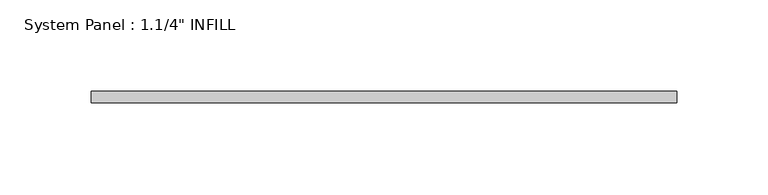
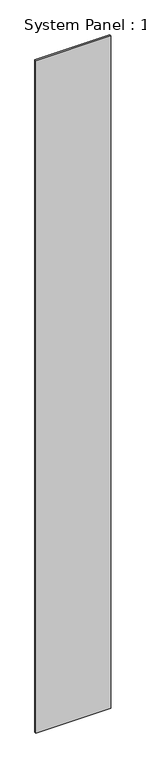
"""IFC4 building model written with IfcOpenShell, lengths in millimetres: plate geometry."""

from ifc_helpers import new_model, si_unit, origin, origin_with_axes, place, context, project, spatial, polyline, outline, extrude, source, transform, mapped, element, save


def plate_e1a61a9a(model_context):
    return source(origin(), model_context, "Body", "SweptSolid", [
        extrude(outline(polyline([(160.8267942, 0.0992187), (-160.8267942, 0.0992187), (-160.8267942, 6.4492187), (160.8267942, 6.4492187), (160.8267942, 0.0992187)])), origin_with_axes(), (0.0, 0.0, 1.0), 3048.0),
    ])


if __name__ == "__main__":
    model = new_model("IFC4")
    model_context = context("Model", 3, world=origin())
    ifc_project = project(units=[si_unit("LENGTHUNIT", "METRE", prefix="MILLI")], contexts=[model_context])
    site = spatial("IfcSite", under=ifc_project)
    building = spatial("IfcBuilding", under=site)
    placement = place(None, origin())
    plate_shape = plate_e1a61a9a(model_context)
    element("IfcPlate", 1, ObjectType="System Panel : 1.1/4\" INFILL", at=placement, inside=building, context=model_context, shape_type="MappedRepresentation", body=[
        mapped(plate_shape, transform((0.0, 0.0, 0.0), x_axis=(1.0, 0.0, 0.0), y_axis=(0.0, 1.0, 0.0), z_axis=(0.0, 0.0, 1.0))),
    ])
    save(model, "model.ifc")
